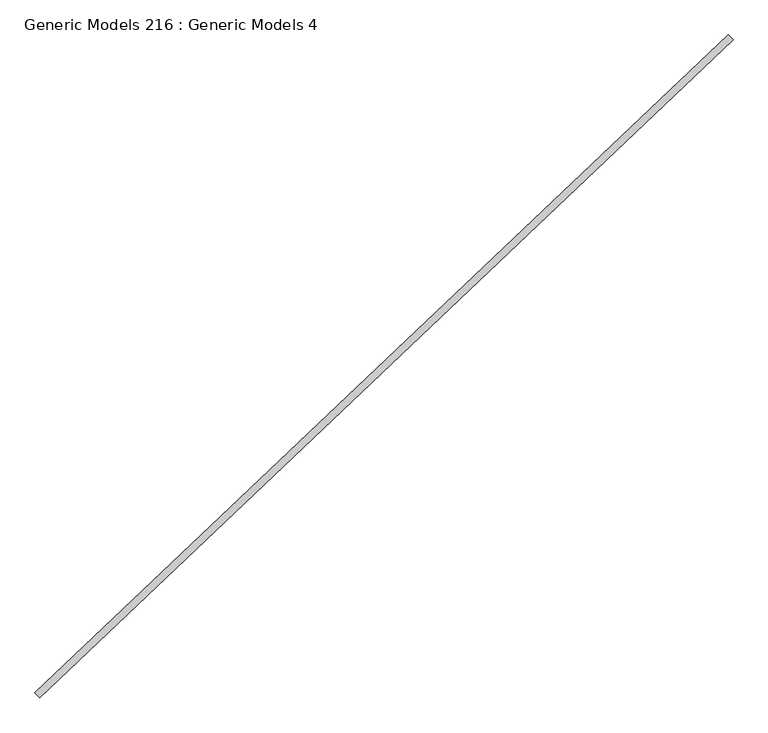
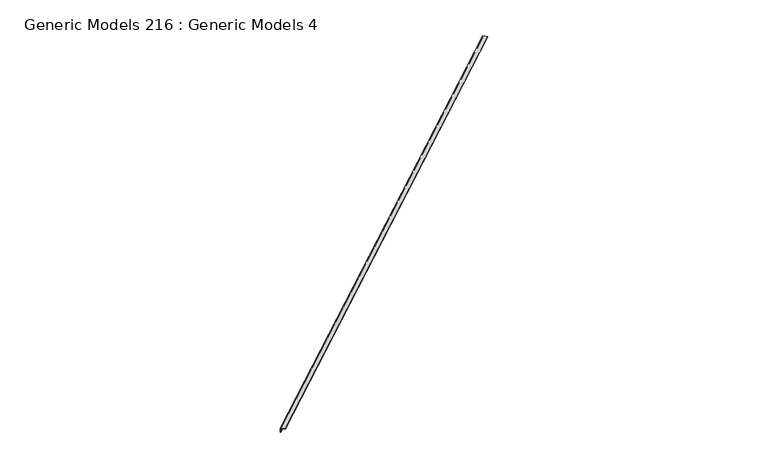
"""IFC4 building model written with IfcOpenShell, lengths in millimetres: proxy geometry, Generic Models 216 : Generic Models 4."""

from ifc_helpers import new_model, si_unit, point, frame, frame_2d, origin, place, context, project, spatial, polyline, circle_curve, trimmed, segment, composite_curve, outline, extrude, source, transform, mapped, element, save


def generic_models_216_generic_models_4_53fc3cde(model_context):
    return source(origin(), model_context, "Body", "SweptSolid", [
        extrude(outline(composite_curve([segment(polyline([(0.0, -431.8), (-127.0, -431.8)]), True, "CONTINUOUS"), segment(trimmed(circle_curve(frame_2d((-114.3, -431.8)), 12.7), [point((-127.0, -431.8))], [point((-114.3, -419.1))], False, "CARTESIAN"), True, "CONTINUOUS"), segment(polyline([(-114.3, -419.1), (-25.4, -419.1)]), True, "CONTINUOUS"), segment(trimmed(circle_curve(frame_2d((-25.4, -406.4)), 12.7), [point((-25.4, -419.1))], [point((-12.7, -406.4))], True, "CARTESIAN"), True, "CONTINUOUS"), segment(polyline([(-12.7, -406.4), (-12.7, -317.5)]), True, "CONTINUOUS"), segment(trimmed(circle_curve(frame_2d((0.0, -317.5)), 12.7), [point((-12.7, -317.5))], [point((0.0, -304.8))], False, "CARTESIAN"), True, "CONTINUOUS"), segment(polyline([(0.0, -304.8), (0.0, -431.8)]), True, "CONTINUOUS")], self_intersect=False)), frame((96107.3825378, 48471.8463956, 16769.08), z_axis=(0.725374371012385, 0.6883545756936514, 0.0), x_axis=(0.0, 0.0, 1.0)), (0.0, 0.0, 1.0), 17679.9875),
    ])


if __name__ == "__main__":
    model = new_model("IFC4")
    model_context = context("Model", 3, world=origin())
    ifc_project = project(units=[si_unit("LENGTHUNIT", "METRE", prefix="MILLI")], contexts=[model_context])
    site = spatial("IfcSite", under=ifc_project)
    building = spatial("IfcBuilding", under=site)
    placement = place(None, origin())
    generic_models_216_generic_models_4_shape = generic_models_216_generic_models_4_53fc3cde(model_context)
    element("IfcBuildingElementProxy", 1, Name="Generic Models 216 : Generic Models 4", ObjectType="Generic Models 216 : Generic Models 4", at=placement, inside=building, context=model_context, shape_type="MappedRepresentation", body=[
        mapped(generic_models_216_generic_models_4_shape, transform((0.0, 0.0, 0.0), x_axis=(1.0, 0.0, 0.0), y_axis=(0.0, 1.0, 0.0), z_axis=(0.0, 0.0, 1.0))),
    ])
    save(model, "model.ifc")
